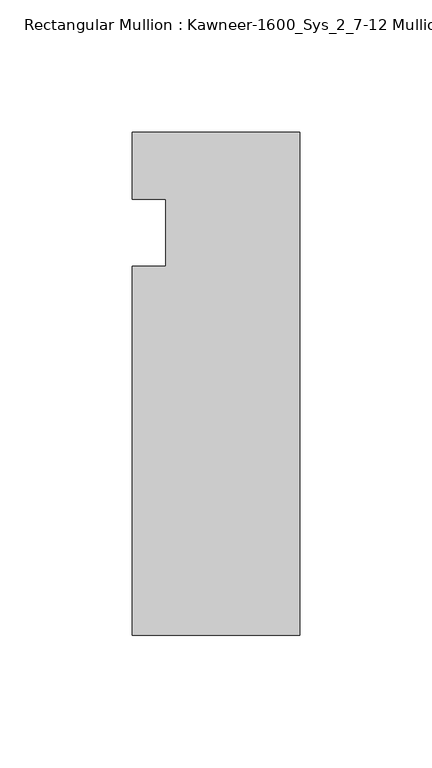
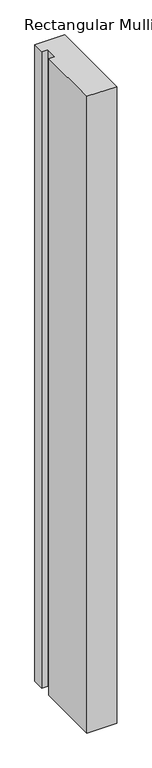
"""IFC4 building model written with IfcOpenShell, lengths in millimetres: member geometry, Rectangular Mullion : Kawneer-1600_Sys_2_7-12 Mullion_Sill."""

from ifc_helpers import new_model, si_unit, frame, origin, place, context, project, spatial, polyline, outline, extrude, source, transform, mapped, element, save


def rectangular_mullion_kawneer_1600_sys_2_7_12_mullion_sill_327b4e07(model_context):
    return source(origin(), model_context, "Body", "SweptSolid", [
        extrude(outline(polyline([(-63.5, -152.4), (-63.5, -12.7), (-50.7982296, -12.7), (-50.7982296, 12.7), (-63.5, 12.7), (-63.5, 38.1), (0.0, 38.1), (0.0, -152.4), (-63.5, -152.4)])), frame((0.0, 0.0, -1424.4155973), z_axis=(0.0, 0.0, 1.0), x_axis=(1.0, 0.0, 0.0)), (0.0, 0.0, 1.0), 1424.4155973),
    ])


if __name__ == "__main__":
    model = new_model("IFC4")
    model_context = context("Model", 3, world=origin())
    ifc_project = project(units=[si_unit("LENGTHUNIT", "METRE", prefix="MILLI")], contexts=[model_context])
    site = spatial("IfcSite", under=ifc_project)
    building = spatial("IfcBuilding", under=site)
    placement = place(None, origin())
    rectangular_mullion_kawneer_1600_sys_2_7_12_mullion_sill_shape = rectangular_mullion_kawneer_1600_sys_2_7_12_mullion_sill_327b4e07(model_context)
    element("IfcMember", 1, ObjectType="Rectangular Mullion : Kawneer-1600_Sys_2_7-12 Mullion_Sill", at=placement, inside=building, context=model_context, shape_type="MappedRepresentation", body=[
        mapped(rectangular_mullion_kawneer_1600_sys_2_7_12_mullion_sill_shape, transform((0.0, 0.0, 0.0), x_axis=(1.0, 0.0, 0.0), y_axis=(0.0, 1.0, 0.0), z_axis=(0.0, 0.0, 1.0))),
    ])
    save(model, "model.ifc")
